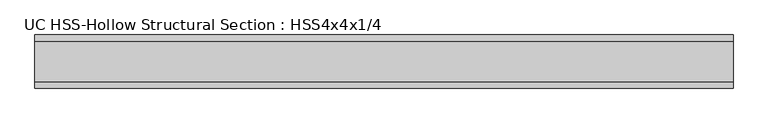
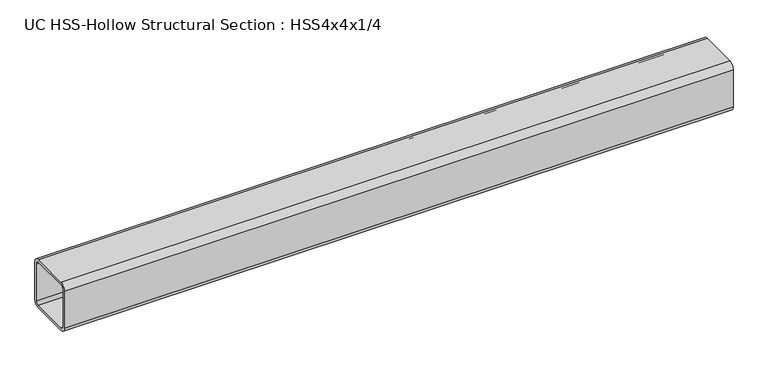
"""IFC4 building model written with IfcOpenShell, lengths in millimetres: beam geometry, UC HSS-Hollow Structural Section : HSS4x4x1/4."""

from ifc_helpers import new_model, si_unit, point, frame, frame_2d, origin, place, context, project, spatial, polyline, circle_curve, trimmed, segment, composite_curve, outline, extrude, source, transform, mapped, element, save


def uc_hss_hollow_structural_section_hss4x4x1_4_4de54083(model_context):
    return source(origin(), model_context, "Body", "SweptSolid", [
        extrude(outline(composite_curve([segment(polyline([(50.8, 38.9636), (50.8, -38.9636)]), True, "CONTINUOUS"), segment(trimmed(circle_curve(frame_2d((38.9636, -38.9636)), 11.8364), [point((50.8, -38.9636))], [point((38.9636, -50.8))], False, "CARTESIAN"), True, "CONTINUOUS"), segment(polyline([(38.9636, -50.8), (-38.9636, -50.8)]), True, "CONTINUOUS"), segment(trimmed(circle_curve(frame_2d((-38.9636, -38.9636)), 11.8364), [point((-38.9636, -50.8))], [point((-50.8, -38.9636))], False, "CARTESIAN"), True, "CONTINUOUS"), segment(polyline([(-50.8, -38.9636), (-50.8, 38.9636)]), True, "CONTINUOUS"), segment(trimmed(circle_curve(frame_2d((-38.9636, 38.9636)), 11.8364), [point((-50.8, 38.9636))], [point((-38.9636, 50.8))], False, "CARTESIAN"), True, "CONTINUOUS"), segment(polyline([(-38.9636, 50.8), (38.9636, 50.8)]), True, "CONTINUOUS"), segment(trimmed(circle_curve(frame_2d((38.9636, 38.9636)), 11.8364), [point((38.9636, 50.8))], [point((50.8, 38.9636))], False, "CARTESIAN"), True, "CONTINUOUS")], self_intersect=False), holes=[composite_curve([segment(trimmed(circle_curve(frame_2d((-38.9636, 38.9636)), 5.9182), [point((-38.9636, 44.8818))], [point((-44.8818, 38.9636))], True, "CARTESIAN"), True, "CONTINUOUS"), segment(polyline([(-44.8818, 38.9636), (-44.8818, -38.9636)]), True, "CONTINUOUS"), segment(trimmed(circle_curve(frame_2d((-38.9636, -38.9636)), 5.9182), [point((-44.8818, -38.9636))], [point((-38.9636, -44.8818))], True, "CARTESIAN"), True, "CONTINUOUS"), segment(polyline([(-38.9636, -44.8818), (38.9636, -44.8818)]), True, "CONTINUOUS"), segment(trimmed(circle_curve(frame_2d((38.9636, -38.9636)), 5.9182), [point((38.9636, -44.8818))], [point((44.8818, -38.9636))], True, "CARTESIAN"), True, "CONTINUOUS"), segment(polyline([(44.8818, -38.9636), (44.8818, 38.9636)]), True, "CONTINUOUS"), segment(trimmed(circle_curve(frame_2d((38.9636, 38.9636)), 5.9182), [point((44.8818, 38.9636))], [point((38.9636, 44.8818))], True, "CARTESIAN"), True, "CONTINUOUS"), segment(polyline([(38.9636, 44.8818), (-38.9636, 44.8818)]), True, "CONTINUOUS")], self_intersect=False)]), frame((-641.35, 0.0, 0.0), z_axis=(1.0, 0.0, 0.0), x_axis=(0.0, 1.0, 0.0)), (0.0, 0.0, 1.0), 1334.0594614),
    ])


if __name__ == "__main__":
    model = new_model("IFC4")
    model_context = context("Model", 3, world=origin())
    ifc_project = project(units=[si_unit("LENGTHUNIT", "METRE", prefix="MILLI")], contexts=[model_context])
    site = spatial("IfcSite", under=ifc_project)
    building = spatial("IfcBuilding", under=site)
    placement = place(None, origin())
    uc_hss_hollow_structural_section_hss4x4x1_4_shape = uc_hss_hollow_structural_section_hss4x4x1_4_4de54083(model_context)
    element("IfcBeam", 1, ObjectType="UC HSS-Hollow Structural Section : HSS4x4x1/4", at=placement, inside=building, context=model_context, shape_type="MappedRepresentation", body=[
        mapped(uc_hss_hollow_structural_section_hss4x4x1_4_shape, transform((0.0, 0.0, 0.0), x_axis=(1.0, 0.0, 0.0), y_axis=(0.0, 1.0, 0.0), z_axis=(0.0, 0.0, 1.0))),
    ])
    save(model, "model.ifc")
